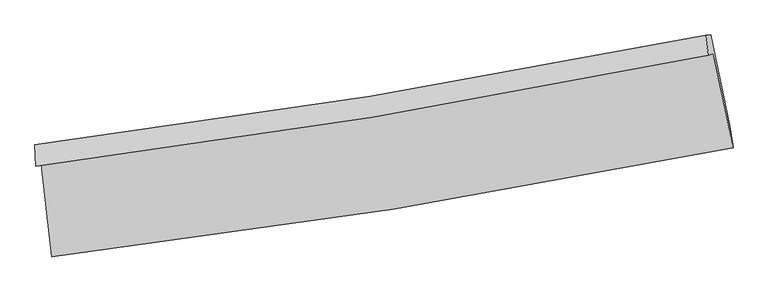
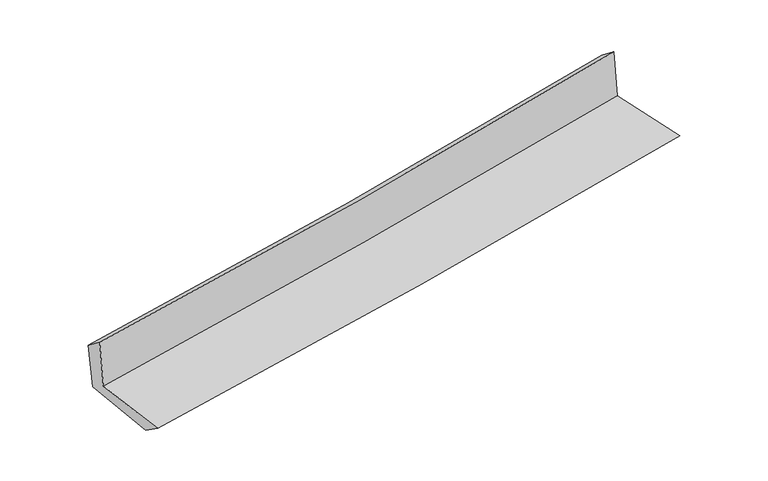
"""IFC4 building model written with IfcOpenShell, lengths in millimetres: proxy geometry."""

from ifc_helpers import new_model, si_unit, frame, origin, place, context, project, spatial, source, transform, mapped, element, save
from ifc_brep_helpers import plane_surface, spline_curve, spline_surface, advanced_brep


def generic_models_ca2b1c96(model_context):
    return source(origin(), model_context, "Body", "AdvancedBrep", [
        advanced_brep(
        [(-2418.0096779, -1878.626098, 1660.8807977), (-2340.6957906, -2536.5897953, 1656.2969171), (2507.9551267, -1758.1303128, 2095.258623), (2368.1761157, -1090.0900021, 2094.3114918), (-2454.8144864, -1890.8481571, 2072.3412613), (2331.3497737, -1102.319212, 2506.0126902), (-2461.8254405, -1737.9563481, 1955.5144114), (2311.8035259, -957.4314371, 2393.2341727), (-2426.5769971, -1737.0649137, 1575.0528955), (2347.501553, -956.4033599, 2017.8409791), (-2349.03168, -2377.185803, 1545.5391173), (2485.0580925, -1602.1001438, 1993.1196613)],
        [
            (0, 1),
            (1, 2, spline_curve(3, [(-2340.6957906, -2536.5897953, 1656.2969171), (-1530.659104444, -2438.846927843, 1740.029138636), (-722.350457059, -2325.257197519, 1818.416101269), (893.879690205, -2065.891523181, 1964.777423119), (1701.788015371, -1919.994759056, 2032.711029167), (2507.9551267, -1758.1303128, 2095.258623)], [4, 2, 4], [0.0, 8.025045265976377, 16.080624742013427])),
            (2, 3),
            (3, 0, spline_curve(3, [(2368.1761157, -1090.0900021, 2094.3114918), (1573.332482986, -1253.022084378, 2032.785462519), (776.300360684, -1400.294562422, 1965.82433889), (-819.111462984, -1663.02143896, 1821.306316006), (-1617.474605481, -1778.594326329, 1743.79054171), (-2418.0096779, -1878.626098, 1660.8807977)], [4, 2, 4], [0.0, 8.05557947603705, 16.080624742013427])),
            (4, 0),
            (3, 5),
            (5, 4, spline_curve(3, [(2331.3497737, -1102.319212, 2506.0126902), (1537.11893222, -1265.047799803, 2437.635941982), (740.394425183, -1412.218125623, 2367.235825524), (-855.012529929, -1674.943385628, 2222.663372525), (-1653.676109418, -1790.616041485, 2148.506346223), (-2454.8144864, -1890.8481571, 2072.3412613)], [4, 2, 4], [0.0, 8.005920332787188, 15.981494685636182])),
            (6, 4),
            (5, 7),
            (7, 6, spline_curve(3, [(2311.8035259, -957.4314371, 2393.2341727), (1519.637706243, -1117.111718519, 2322.235856152), (724.99232781, -1262.091247062, 2250.188800837), (-866.236089047, -1522.154983943, 2104.27427836), (-1662.800366526, -1637.350425843, 2030.414746486), (-2461.8254405, -1737.9563481, 1955.5144114)], [4, 2, 4], [0.0, 7.994851945570343, 15.959399865286779])),
            (8, 6),
            (7, 9),
            (9, 8, spline_curve(3, [(2347.501553, -956.4033599, 2017.8409791), (1556.033798178, -1116.093868662, 1937.67818333), (761.699181955, -1261.08993137, 1860.633623657), (-829.682026668, -1521.199263458, 1713.061189816), (-1626.706927325, -1636.423718877, 1642.50972168), (-2426.5769971, -1737.0649137, 1575.0528955)], [4, 2, 4], [0.0, 7.984615943729441, 15.938966660580434])),
            (10, 8),
            (9, 11),
            (11, 10, spline_curve(3, [(2485.0580925, -1602.1001438, 1993.1196613), (1683.593398896, -1766.46252397, 1911.854530145), (879.249859367, -1913.323662725, 1833.858959695), (-732.135180806, -2171.553125635, 1684.690184342), (-1539.154898879, -2283.053873398, 1613.492240033), (-2349.03168, -2377.185803, 1545.5391173)], [4, 2, 4], [0.0, 8.033856929684113, 16.037261987368442])),
            (1, 10),
            (11, 2),
        ],
        [
            spline_surface(3, 3, [[(-2418.0096779, -1878.626098, 1660.8807977), (-1617.474605375, -1778.594326268, 1743.790541764), (-819.111463039, -1663.021439003, 1821.306316064), (776.300360738, -1400.294562378, 1965.824338832), (1573.332482935, -1253.022084327, 2032.78546257), (2368.1761157, -1090.0900021, 2094.3114918)], [(-2392.238382148, -2097.947330439, 1659.352837498), (-1588.536105103, -1998.678526774, 1742.536740679), (-786.857794396, -1883.766691866, 1820.342911133), (815.493470574, -1622.160215975, 1965.475366983), (1616.150993698, -1475.346309273, 2032.760651443), (2414.769119348, -1312.77010566, 2094.627202228)], [(-2366.467086352, -2317.268562861, 1657.824877302), (-1559.597604786, -2218.762727263, 1741.282939599), (-754.604125747, -2104.511944699, 1819.379506118), (854.686580414, -1844.025869541, 1965.12639505), (1658.969504516, -1697.670534239, 2032.735840233), (2461.362123052, -1535.45020924, 2094.942912572)], [(-2340.6957906, -2536.5897953, 1656.2969171), (-1530.659104514, -2438.846927768, 1740.029138514), (-722.350457103, -2325.257197562, 1818.416101187), (893.87969025, -2065.891523137, 1964.777423202), (1701.788015279, -1919.994759185, 2032.711029107), (2507.9551267, -1758.1303128, 2095.258623)]], [4, 4], [4, 2, 4], [0.0, 2.2064500437105883], [0.0, 8.025045265976377, 16.080624742013427]),
            spline_surface(3, 3, [[(-2454.8144864, -1890.8481571, 2072.3412613), (-1653.676109527, -1790.616041399, 2148.506346241), (-855.0125299, -1674.943385541, 2222.663372625), (740.394425155, -1412.218125711, 2367.235825424), (1537.118932248, -1265.047799848, 2437.635942046), (2331.3497737, -1102.319212, 2506.0126902)], [(-2442.546216902, -1886.774137406, 1935.187773413), (-1641.608941478, -1786.608803029, 2013.601078061), (-843.04550762, -1670.969403355, 2088.877687076), (752.363070342, -1408.243604593, 2233.431996531), (1549.190115818, -1261.039228012, 2302.685782218), (2343.625221042, -1098.242808704, 2368.778957397)], [(-2430.277947398, -1882.700117694, 1798.034285587), (-1629.541773424, -1782.601564639, 1878.695809943), (-831.078485319, -1666.99542119, 1955.092001613), (764.33171555, -1404.269083496, 2099.628167724), (1561.261299364, -1257.030656163, 2167.735622398), (2355.900668358, -1094.166405396, 2231.545224603)], [(-2418.0096779, -1878.626098, 1660.8807977), (-1617.474605375, -1778.594326268, 1743.790541764), (-819.111463039, -1663.021439003, 1821.306316064), (776.300360738, -1400.294562378, 1965.824338832), (1573.332482935, -1253.022084327, 2032.78546257), (2368.1761157, -1090.0900021, 2094.3114918)]], [4, 4], [4, 2, 4], [0.0, 1.3227142959513405], [0.0, 7.975574352848994, 15.981494685636182]),
            spline_surface(3, 3, [[(-2461.8254405, -1737.9563481, 1955.5144114), (-1662.800366446, -1637.350425759, 2030.414746587), (-866.236089161, -1522.154983925, 2104.274278408), (724.992327925, -1262.091247079, 2250.188800789), (1519.637706111, -1117.11171861, 2322.235856104), (2311.8035259, -957.4314371, 2393.2341727)], [(-2459.488455789, -1788.920284422, 1994.456694705), (-1659.758947462, -1688.438964295, 2069.778613143), (-862.494902734, -1573.084451131, 2143.737309821), (730.126360341, -1312.133539958, 2289.204475674), (1525.464781493, -1166.423745704, 2360.702551421), (2318.318941836, -1005.727362081, 2430.82701187)], [(-2457.151471111, -1839.884220778, 2033.398977995), (-1656.71752851, -1739.527502864, 2109.142479684), (-858.753716327, -1624.013918335, 2183.200341212), (735.260392738, -1362.175832833, 2328.220150538), (1531.291856866, -1215.735772755, 2399.169246729), (2324.834357764, -1054.023287019, 2468.41985103)], [(-2454.8144864, -1890.8481571, 2072.3412613), (-1653.676109527, -1790.616041399, 2148.506346241), (-855.0125299, -1674.943385541, 2222.663372625), (740.394425155, -1412.218125711, 2367.235825424), (1537.118932248, -1265.047799848, 2437.635942046), (2331.3497737, -1102.319212, 2506.0126902)]], [4, 4], [4, 2, 4], [0.0, 0.6308455812785999], [0.0, 7.964547919716436, 15.959399865286779]),
            spline_surface(3, 3, [[(-2426.5769971, -1737.0649137, 1575.0528955), (-1626.706927336, -1636.423718772, 1642.509721683), (-829.682026785, -1521.199263485, 1713.061189895), (761.699182072, -1261.089931342, 1860.633623577), (1556.03379822, -1116.093868678, 1937.678183225), (2347.501553, -956.4033599, 2017.8409791)], [(-2438.326478242, -1737.362058505, 1701.873400797), (-1638.738073715, -1636.732621105, 1771.811396647), (-841.866714252, -1521.517836976, 1843.465552758), (749.463564014, -1261.423703266, 1990.48534934), (1543.901767506, -1116.433151969, 2065.864074161), (2335.602210622, -956.746052281, 2142.972043609)], [(-2450.075959358, -1737.659203295, 1828.693906103), (-1650.769220067, -1637.041523425, 1901.113071622), (-854.051401694, -1521.836410433, 1973.869915545), (737.227945983, -1261.757475156, 2120.337075026), (1531.769736826, -1116.772435319, 2194.049965168), (2323.702868278, -957.088744719, 2268.103108191)], [(-2461.8254405, -1737.9563481, 1955.5144114), (-1662.800366446, -1637.350425759, 2030.414746587), (-866.236089161, -1522.154983925, 2104.274278408), (724.992327925, -1262.091247079, 2250.188800789), (1519.637706111, -1117.11171861, 2322.235856104), (2311.8035259, -957.4314371, 2393.2341727)]], [4, 4], [4, 2, 4], [0.0, 1.2864074383431083], [0.0, 7.954350716850993, 15.938966660580434]),
            spline_surface(3, 3, [[(-2349.03168, -2377.185803, 1545.5391173), (-1539.154898967, -2283.053873385, 1613.492240126), (-732.135180887, -2171.553125647, 1684.690184278), (879.249859448, -1913.323662713, 1833.858959759), (1683.593398871, -1766.462524016, 1911.854530273), (2485.0580925, -1602.1001438, 1993.1196613)], [(-2374.880119014, -2163.812173243, 1555.377043363), (-1568.338908404, -2067.510488523, 1623.164733974), (-764.650796186, -1954.768504927, 1694.147186134), (840.066300323, -1695.912418923, 1842.783847681), (1641.073532008, -1549.672972237, 1920.462414589), (2439.205912687, -1386.867882501, 2001.360100566)], [(-2400.728558086, -1950.438543457, 1565.214969437), (-1597.522917899, -1851.967103633, 1632.837227834), (-797.166411486, -1737.983884205, 1703.60418804), (800.882741197, -1478.501175132, 1851.708735655), (1598.553665083, -1332.883420457, 1929.070298909), (2393.353732813, -1171.635621199, 2009.600539834)], [(-2426.5769971, -1737.0649137, 1575.0528955), (-1626.706927336, -1636.423718772, 1642.509721683), (-829.682026785, -1521.199263485, 1713.061189895), (761.699182072, -1261.089931342, 1860.633623577), (1556.03379822, -1116.093868678, 1937.678183225), (2347.501553, -956.4033599, 2017.8409791)]], [4, 4], [4, 2, 4], [0.0, 2.167647769541852], [0.0, 8.00340505768433, 16.037261987368442]),
            spline_surface(3, 3, [[(-2340.6957906, -2536.5897953, 1656.2969171), (-1530.659104514, -2438.846927768, 1740.029138514), (-722.350457103, -2325.257197562, 1818.416101187), (893.87969025, -2065.891523137, 1964.777423202), (1701.788015279, -1919.994759185, 2032.711029107), (2507.9551267, -1758.1303128, 2095.258623)], [(-2343.474420405, -2483.455131185, 1619.377650524), (-1533.491036003, -2386.915909626, 1697.850172409), (-725.612031687, -2274.022506908, 1773.840795536), (889.003079993, -2015.035569647, 1921.137935372), (1695.723143141, -1868.817347469, 1992.425529492), (2500.322781964, -1706.120256473, 2061.21230243)], [(-2346.253050195, -2430.320467115, 1582.458383876), (-1536.322967478, -2334.984891528, 1655.671206231), (-728.873606303, -2222.787816301, 1729.26548993), (884.126469704, -1964.179616204, 1877.498447589), (1689.658271009, -1817.639935732, 1952.140029888), (2492.690437236, -1654.110200127, 2027.16598187)], [(-2349.03168, -2377.185803, 1545.5391173), (-1539.154898967, -2283.053873385, 1613.492240126), (-732.135180887, -2171.553125647, 1684.690184278), (879.249859448, -1913.323662713, 1833.858959759), (1683.593398871, -1766.462524016, 1911.854530273), (2485.0580925, -1602.1001438, 1993.1196613)]], [4, 4], [4, 2, 4], [0.0, 0.665185233153407], [0.0, 8.06290585575861, 16.15648997599293]),
            plane_surface(frame((2391.9740312, -1244.4124113, 2183.2962697), z_axis=(0.9745137628926606, 0.20403689566655742, 0.09323020508151726), x_axis=(-0.09466759767689166, -0.0027263577590886977, 0.995505204870098))),
            plane_surface(frame((-2408.4923454, -2026.3785192, 1744.2709001), z_axis=(-0.9890379941472044, -0.11557644538382163, -0.09190174865428312), x_axis=(-0.11669908699031346, 0.9931432175438232, 0.006918998650778568))),
        ],
        [
            (0, [[1, 2, 3, 4]]),
            (1, [[5, -4, 6, 7]]),
            (2, [[8, -7, 9, 10]]),
            (3, [[11, -10, 12, 13]]),
            (4, [[14, -13, 15, 16]]),
            (5, [[17, -16, 18, -2]]),
            (6, [[-12, -9, -6, -3, -18, -15]]),
            (7, [[-1, -5, -8, -11, -14, -17]]),
        ],
    ),
    ])


if __name__ == "__main__":
    model = new_model("IFC4")
    model_context = context("Model", 3, world=origin())
    ifc_project = project(units=[si_unit("LENGTHUNIT", "METRE", prefix="MILLI")], contexts=[model_context])
    site = spatial("IfcSite", under=ifc_project)
    building = spatial("IfcBuilding", under=site)
    placement = place(None, origin())
    generic_models_shape = generic_models_ca2b1c96(model_context)
    element("IfcBuildingElementProxy", 1, Name="Generic Models", at=placement, inside=building, context=model_context, shape_type="MappedRepresentation", body=[
        mapped(generic_models_shape, transform((0.0, 0.0, 0.0), x_axis=(1.0, 0.0, 0.0), y_axis=(0.0, 1.0, 0.0), z_axis=(0.0, 0.0, 1.0))),
    ])
    save(model, "model.ifc")
